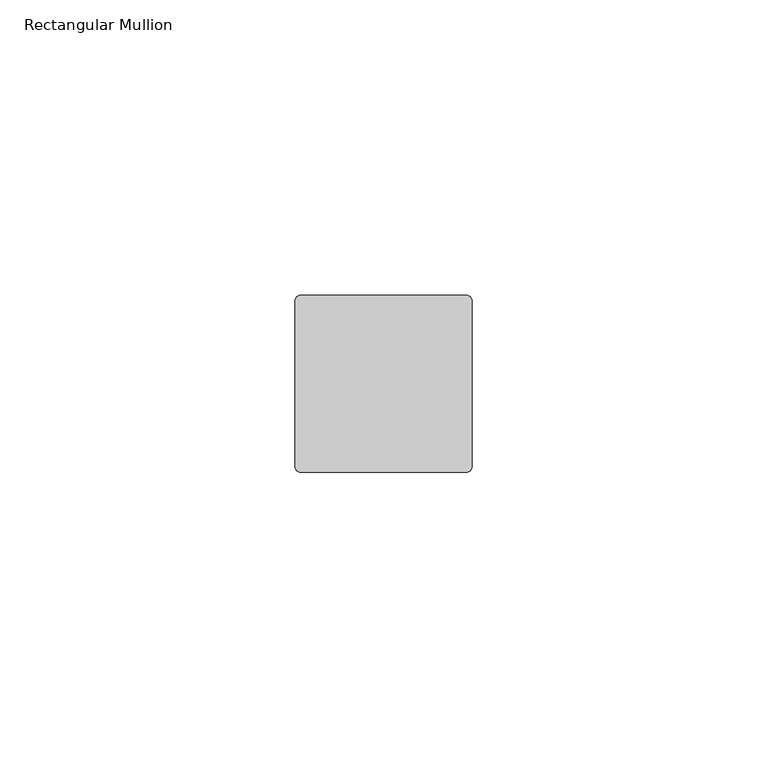
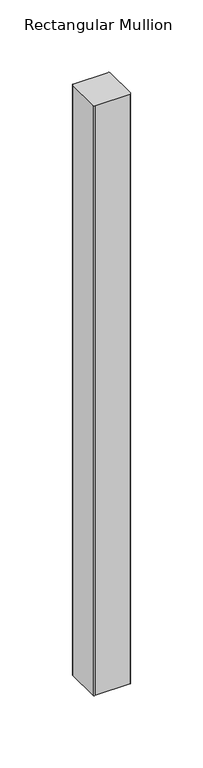
"""IFC4 building model written with IfcOpenShell, lengths in millimetres: member geometry, Rectangular Mullion."""

from ifc_helpers import new_model, si_unit, point, frame, frame_2d, origin, place, context, project, spatial, polyline, circle_curve, trimmed, segment, composite_curve, outline, extrude, source, transform, mapped, element, save


def rectangular_mullion_8832bb8a(model_context):
    return source(origin(), model_context, "Body", "SweptSolid", [
        extrude(outline(composite_curve([segment(polyline([(-14.0, 15.0), (14.0, 15.0)]), True, "CONTINUOUS"), segment(trimmed(circle_curve(frame_2d((14.0, 14.0)), 1.0), [point((14.0, 15.0))], [point((15.0, 14.0))], False, "CARTESIAN"), True, "CONTINUOUS"), segment(polyline([(15.0, 14.0), (15.0, -14.0)]), True, "CONTINUOUS"), segment(trimmed(circle_curve(frame_2d((14.0, -14.0)), 1.0), [point((15.0, -14.0))], [point((14.0, -15.0))], False, "CARTESIAN"), True, "CONTINUOUS"), segment(polyline([(14.0, -15.0), (-14.0, -15.0)]), True, "CONTINUOUS"), segment(trimmed(circle_curve(frame_2d((-14.0, -14.0)), 1.0), [point((-14.0, -15.0))], [point((-15.0, -14.0))], False, "CARTESIAN"), True, "CONTINUOUS"), segment(polyline([(-15.0, -14.0), (-15.0, 14.0)]), True, "CONTINUOUS"), segment(trimmed(circle_curve(frame_2d((-14.0, 14.0)), 1.0), [point((-15.0, 14.0))], [point((-14.0, 15.0))], False, "CARTESIAN"), True, "CONTINUOUS")], self_intersect=False)), frame((0.0, 0.0, -499.0), z_axis=(0.0, 0.0, 1.0), x_axis=(1.0, 0.0, 0.0)), (0.0, 0.0, 1.0), 499.0),
    ])


if __name__ == "__main__":
    model = new_model("IFC4")
    model_context = context("Model", 3, world=origin())
    ifc_project = project(units=[si_unit("LENGTHUNIT", "METRE", prefix="MILLI")], contexts=[model_context])
    site = spatial("IfcSite", under=ifc_project)
    building = spatial("IfcBuilding", under=site)
    placement = place(None, origin())
    rectangular_mullion_shape = rectangular_mullion_8832bb8a(model_context)
    element("IfcMember", 1, ObjectType="Rectangular Mullion", at=placement, inside=building, context=model_context, shape_type="MappedRepresentation", body=[
        mapped(rectangular_mullion_shape, transform((0.0, 0.0, 0.0), x_axis=(1.0, 0.0, 0.0), y_axis=(0.0, 1.0, 0.0), z_axis=(0.0, 0.0, 1.0))),
    ])
    save(model, "model.ifc")
